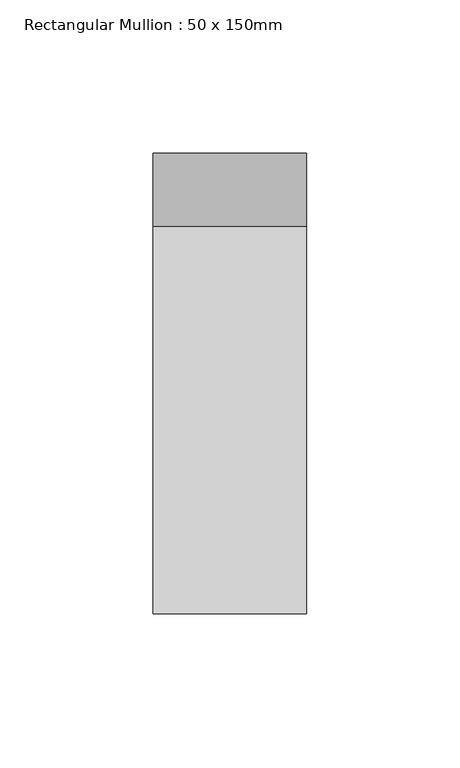
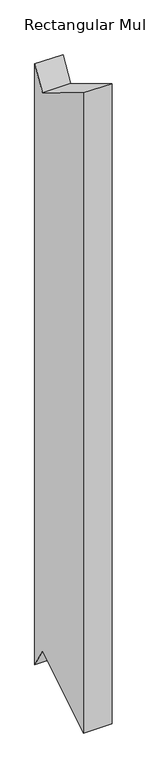
"""IFC4 building model written with IfcOpenShell, lengths in millimetres: member geometry, Rectangular Mullion : 50 x 150mm."""

import ifcopenshell
import ifcopenshell.guid

model = None  # the IFC model being written
_history = None  # IfcOwnerHistory: only IFC2X3 demands one
_inside = {}  # id of a spatial element -> (the spatial element, [elements in it])
_under = {}  # id of a project, library or spatial element -> (it, [spatial elements below it])
_declared = {}  # id of a project -> (the project, [libraries it declares])
_typed = {}  # id of a type object -> (the type object, [elements of that type])
_made_of = {}  # id of a material, layer set ... -> (it, [elements and type objects made of it])


def new_model(schema):
    """Start an empty IFC model of exactly this schema.

    Asked for "IFC4X3", IfcOpenShell would pick the latest addendum, in which some entities
    have other attributes; the version numbers below select the first issue.
    IFC2X3 requires an IfcOwnerHistory on every rooted entity: one is made here for all.
    """
    global model, _history
    if schema == "IFC4X3":
        model = ifcopenshell.file(schema_version=(4, 3, 0, 0))
    else:
        model = ifcopenshell.file(schema=schema)
    _inside.clear()
    _under.clear()
    _declared.clear()
    _typed.clear()
    _made_of.clear()
    _history = None
    if model.schema == "IFC2X3":
        org = make("IfcOrganization", Name="unknown")
        user = make(
            "IfcPersonAndOrganization",
            ThePerson=make("IfcPerson", FamilyName="unknown"),
            TheOrganization=org,
        )
        app = make(
            "IfcApplication",
            ApplicationDeveloper=org,
            Version="unknown",
            ApplicationFullName="unknown",
            ApplicationIdentifier="unknown",
        )
        _history = make(
            "IfcOwnerHistory",
            OwningUser=user,
            OwningApplication=app,
            ChangeAction="ADDED",
            CreationDate=0,
        )
    return model


def make(cls, **values):
    """One entity of the class cls with the attributes given. An attribute that is None is left unset."""
    return model.create_entity(
        cls, **{name: value for name, value in values.items() if value is not None}
    )


def rooted(cls, **values):
    """An entity with a GlobalId (a new one), such as an element, a storey or a relation."""
    return make(cls, GlobalId=ifcopenshell.guid.new(), OwnerHistory=_history, **values)


def si_unit(unit_type, name, prefix=None):
    """IfcSIUnit, for example si_unit("LENGTHUNIT", "METRE", prefix="MILLI")."""
    return make("IfcSIUnit", UnitType=unit_type, Prefix=prefix, Name=name)


def assignment(units):
    """IfcUnitAssignment: the units of a project."""
    return None if units is None else make("IfcUnitAssignment", Units=units)


def point(xyz):
    """IfcCartesianPoint."""
    return None if xyz is None else make("IfcCartesianPoint", Coordinates=xyz)


def direction(xyz):
    """IfcDirection."""
    return None if xyz is None else make("IfcDirection", DirectionRatios=xyz)


def frame(location, z_axis=None, x_axis=None):
    """IfcAxis2Placement3D, a coordinate frame: its origin and axes. An axis left out is left unset."""
    return make(
        "IfcAxis2Placement3D",
        Location=point(location),
        Axis=direction(z_axis),
        RefDirection=direction(x_axis),
    )


def origin():
    """The frame at (0, 0, 0) with its axes left unset."""
    return frame((0.0, 0.0, 0.0))


def place(relative_to, where):
    """IfcLocalPlacement: puts the frame where relative to a parent placement (None: the world)."""
    return make(
        "IfcLocalPlacement", PlacementRelTo=relative_to, RelativePlacement=where
    )


def context(
    kind, dimensions, precision=None, world=None, true_north=None, identifier=None
):
    """IfcGeometricRepresentationContext, for example the 3D "Model" context."""
    return make(
        "IfcGeometricRepresentationContext",
        ContextIdentifier=identifier,
        ContextType=kind,
        CoordinateSpaceDimension=dimensions,
        Precision=precision,
        WorldCoordinateSystem=world,
        TrueNorth=true_north,
    )


def project(units=None, contexts=None):
    """IfcProject with its units and contexts."""
    return rooted(
        "IfcProject",
        Name="project",
        RepresentationContexts=contexts,
        UnitsInContext=assignment(units),
    )


def spatial(cls, under=None, at=None, **own):
    """A site, building, storey or space (cls), placed at a placement, below another one or the project."""
    s = rooted(cls, ObjectPlacement=at, **own)
    if under is not None:
        _under.setdefault(under.id(), (under, []))[1].append(s)
    return s


def polyline(points):
    """IfcPolyline through the points."""
    return make("IfcPolyline", Points=[point(p) for p in points])


def outline(outer, holes=None, kind="AREA"):
    """IfcArbitraryClosedProfileDef: a profile drawn as a closed curve; with holes, ...WithVoids."""
    if holes is None:
        return make("IfcArbitraryClosedProfileDef", ProfileType=kind, OuterCurve=outer)
    return make(
        "IfcArbitraryProfileDefWithVoids",
        ProfileType=kind,
        OuterCurve=outer,
        InnerCurves=holes,
    )


def extrude(swept, where, along, depth):
    """IfcExtrudedAreaSolid: the profile swept, set in the frame where, extruded along a direction by depth."""
    return make(
        "IfcExtrudedAreaSolid",
        SweptArea=swept,
        Position=where,
        ExtrudedDirection=direction(along),
        Depth=depth,
    )


def shape(context_of_items, identifier, shape_type, items):
    """IfcShapeRepresentation: the items that make up one representation, for example the "Body"."""
    return make(
        "IfcShapeRepresentation",
        ContextOfItems=context_of_items,
        RepresentationIdentifier=identifier,
        RepresentationType=shape_type,
        Items=items,
    )


def source(mapping_origin, context_of_items, identifier, shape_type, items):
    """IfcRepresentationMap: a shape defined once, which mapped items show again and again."""
    return make(
        "IfcRepresentationMap",
        MappingOrigin=mapping_origin,
        MappedRepresentation=shape(context_of_items, identifier, shape_type, items),
    )


def transform(
    local_origin,
    x_axis=None,
    y_axis=None,
    z_axis=None,
    scale=None,
    scale2=None,
    scale3=None,
    uniform=True,
):
    """IfcCartesianTransformationOperator3D, or its non-uniform kind. x_axis, y_axis, z_axis: its Axis1, 2, 3."""
    if uniform:
        return make(
            "IfcCartesianTransformationOperator3D",
            Axis1=direction(x_axis),
            Axis2=direction(y_axis),
            LocalOrigin=point(local_origin),
            Scale=scale,
            Axis3=direction(z_axis),
        )
    return make(
        "IfcCartesianTransformationOperator3DnonUniform",
        Axis1=direction(x_axis),
        Axis2=direction(y_axis),
        LocalOrigin=point(local_origin),
        Scale=scale,
        Axis3=direction(z_axis),
        Scale2=scale2,
        Scale3=scale3,
    )


def mapped(mapping_source, mapping_target):
    """IfcMappedItem: shows the shape of a source again, moved by a transform."""
    return make(
        "IfcMappedItem", MappingSource=mapping_source, MappingTarget=mapping_target
    )


def made_of(thing, what):
    """Note that an element or type object is made of a material, layer set ...; save() writes the relation."""
    if what is not None:
        _made_of.setdefault(what.id(), (what, []))[1].append(thing)
    return thing


def element(
    cls,
    number,
    at=None,
    inside=None,
    cuts=None,
    type_object=None,
    material=None,
    context=None,
    identifier="Body",
    shape_type=None,
    held_by="IfcProductDefinitionShape",
    body=None,
    shapes=None,
    **own,
):
    """One element of the class cls, such as IfcWall. Its Tag is "e" and its number.

    at: its placement. inside: the storey or other place that contains it. cuts: it is an
    opening in that element (IfcRelVoidsElement). A single representation is given by context,
    identifier, shape_type and body (its items); several are given by shapes. held_by: the class
    of the entity that holds the representations. save() writes the other relations.
    """
    e = rooted(cls, Tag="e%d" % number, ObjectPlacement=at, **own)
    if body is not None:
        shapes = [shape(context, identifier, shape_type, body)]
    if shapes is not None:
        e.Representation = make(held_by, Representations=shapes)
    if inside is not None:
        _inside.setdefault(inside.id(), (inside, []))[1].append(e)
    if cuts is not None:
        rooted(
            "IfcRelVoidsElement", RelatingBuildingElement=cuts, RelatedOpeningElement=e
        )
    if type_object is not None:
        _typed.setdefault(type_object.id(), (type_object, []))[1].append(e)
    return made_of(e, material)


def aggregate(whole, parts):
    """IfcRelAggregates: a whole, such as a stair, and the parts it consists of."""
    return rooted("IfcRelAggregates", RelatingObject=whole, RelatedObjects=parts)


def save(model, path):
    """Write the relations noted so far, then the file.

    IfcRelAggregates (storeys below a building ...), IfcRelContainedInSpatialStructure (elements
    in a storey), IfcRelDefinesByType, IfcRelAssociatesMaterial and IfcRelDeclares: one each for
    every whole, place, type object, material and project.
    """
    for whole, parts in _under.values():
        aggregate(whole, parts)
    for where, things in _inside.values():
        rooted(
            "IfcRelContainedInSpatialStructure",
            RelatedElements=things,
            RelatingStructure=where,
        )
    for kind, things in _typed.values():
        rooted("IfcRelDefinesByType", RelatedObjects=things, RelatingType=kind)
    for what, things in _made_of.values():
        rooted("IfcRelAssociatesMaterial", RelatedObjects=things, RelatingMaterial=what)
    for by, libraries in _declared.values():
        rooted("IfcRelDeclares", RelatingContext=by, RelatedDefinitions=libraries)
    model.write(path)


def rectangular_mullion_50_x_150mm_a023fa29(model_context):
    return source(origin(), model_context, "Body", "SweptSolid", [
        extrude(outline(polyline([(-75.0, 40.9549258), (51.3716673, -35.0911957), (75.0, 4.1738154), (75.0, -1119.9565335), (51.3716673, -1080.6915225), (-75.0, -1156.7376439), (-75.0, 40.9549258)])), frame((-50.0, 0.0, 0.0), z_axis=(1.0, 0.0, 0.0), x_axis=(0.0, 1.0, 0.0)), (0.0, 0.0, 1.0), 50.0),
    ])


if __name__ == "__main__":
    model = new_model("IFC4")
    model_context = context("Model", 3, world=origin())
    ifc_project = project(units=[si_unit("LENGTHUNIT", "METRE", prefix="MILLI")], contexts=[model_context])
    site = spatial("IfcSite", under=ifc_project)
    building = spatial("IfcBuilding", under=site)
    placement = place(None, origin())
    rectangular_mullion_50_x_150mm_shape = rectangular_mullion_50_x_150mm_a023fa29(model_context)
    element("IfcMember", 1, ObjectType="Rectangular Mullion : 50 x 150mm", at=placement, inside=building, context=model_context, shape_type="MappedRepresentation", body=[
        mapped(rectangular_mullion_50_x_150mm_shape, transform((0.0, 0.0, 0.0), x_axis=(1.0, 0.0, 0.0), y_axis=(0.0, 1.0, 0.0), z_axis=(0.0, 0.0, 1.0))),
    ])
    save(model, "model.ifc")
